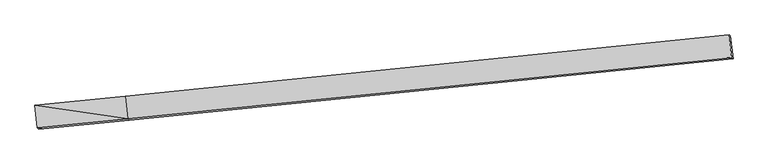
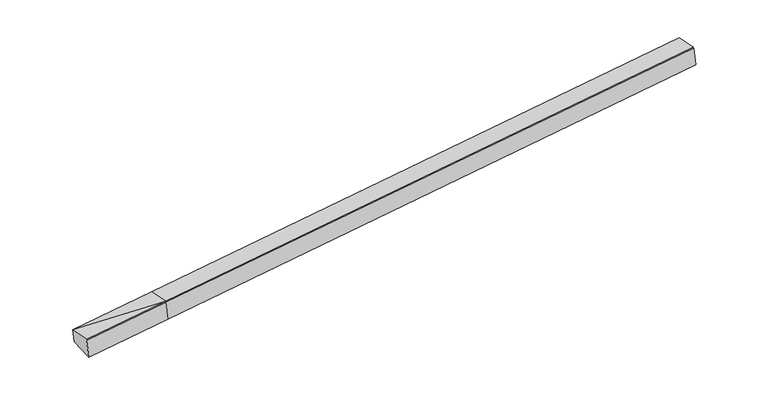
"""IFC4 building model written with IfcOpenShell, lengths in millimetres: proxy geometry."""

from ifc_helpers import new_model, si_unit, frame, origin, place, context, project, spatial, source, transform, mapped, element, save
from ifc_brep_helpers import plane_surface, spline_surface, advanced_brep


def generic_models_31e1d75e(model_context):
    return source(origin(), model_context, "Body", "AdvancedBrep", [
        advanced_brep(
        [(-7860.8938993, -2187.9416701, 1199.7320576), (-7891.6173311, -2159.3918581, 1608.7803377), (-5178.4657708, -1894.4207114, 1801.1196074), (-5147.7423391, -1922.9705234, 1392.0713273), (-7826.8977345, -2829.2963335, 1660.3978508), (-5113.7461743, -2564.3251868, 1852.7371204), (-7824.6561998, -2831.3792843, 1630.5543115), (-5111.5046395, -2566.4081376, 1822.8935811), (-7781.5182488, -2871.4653137, 1056.2205325), (-5068.3666885, -2606.4941671, 1248.5598021), (12993.0670812, -732.522779, 3042.4435741), (13034.6548169, -771.1682677, 2488.749185), (12953.897963, -77.0535743, 2636.7092872), (12924.9594609, -50.1624118, 3021.9932169), (12990.6669513, -730.2924534, 3074.3986308)],
        [
            (0, 1),
            (1, 2),
            (2, 3),
            (3, 0),
            (1, 4),
            (4, 5),
            (5, 1),
            (4, 6),
            (6, 7),
            (7, 5),
            (6, 8),
            (8, 9),
            (9, 7),
            (8, 0),
            (3, 9),
            (10, 11),
            (11, 12),
            (12, 13),
            (13, 14),
            (14, 10),
            (5, 2),
            (9, 11),
            (10, 7),
            (3, 12),
            (2, 13),
            (5, 14),
        ],
        [
            plane_surface(frame((-7876.2556152, -2173.6667641, 1404.2561977), z_axis=(-0.09156625645898389, 0.9928810539663492, -0.07617633065959178), x_axis=(-0.07471782568885188, 0.06943169280863198, 0.9947846433063079))),
            plane_surface(frame((-7859.2575328, -2494.3440958, 1634.5890943), z_axis=(-0.07726468580533902, 0.06917204197004424, 0.9946081625128043), x_axis=(0.09588088374822303, -0.9924510746815481, 0.07647038966227376))),
            plane_surface(frame((-7825.7769671, -2830.3378089, 1645.4760811), z_axis=(0.09156625645898339, -0.9928810539663483, 0.0761763306596027), x_axis=(0.07471782568882278, -0.0694316928086458, -0.9947846433063091))),
            plane_surface(frame((-7803.0872243, -2851.422299, 1343.387422), z_axis=(0.091566256458984, -0.992881053966349, 0.07617633065959535), x_axis=(0.07471782568882994, -0.06943169280863769, -0.9947846433063091))),
            plane_surface(frame((-7821.206074, -2529.7034919, 1127.9762951), z_axis=(0.04864335063071308, 0.21064216081485684, -0.976352244083387), x_axis=(-0.11292226920922496, 0.9724019944781799, 0.20416395923741593))),
            plane_surface(frame((12976.0447981, -407.1691768, 2805.46258), z_axis=(0.9925845569300351, 0.10109453198451543, 0.06749661433611298), x_axis=(0.07471782568882314, -0.06943169280864332, -0.9947846433063092))),
            plane_surface(frame((-7840.2318034, -2512.0237939, 1381.2826947), z_axis=(-0.9925845569300348, -0.10109453198451254, -0.06749661433612178), x_axis=(0.11292226920921403, -0.9724019944781813, -0.20416395923741565))),
            plane_surface(frame((-7891.6173311, -2159.3918581, 1608.7803377), z_axis=(-0.07726468580533911, 0.06917204197004345, 0.9946081625128043), x_axis=(0.09588088374823604, -0.9924510746815468, 0.0764703896622739))),
            plane_surface(frame((-5089.935664, -2586.4511523, 1535.7266916), z_axis=(0.0953855978753202, -0.9925013946818524, 0.07643670108361439), x_axis=(0.07471782568881434, -0.06943169280864575, -0.9947846433063098))),
            spline_surface(1, 1, [[(-5068.3666885, -2606.4941671, 1248.5598021), (13034.6548169, -771.1682677, 2488.749185)], [(-5147.7423391, -1922.9705234, 1392.0713273), (12953.897963, -77.0535743, 2636.7092872)]], [2, 2], [2, 2], [0.0, 1.0], [0.0, 1.0]),
            plane_surface(frame((-5163.104055, -1908.6956174, 1596.5954673), z_axis=(-0.09594635769563058, 0.9924444039931353, -0.0764748417955404), x_axis=(-0.0747178256888305, 0.06943169280863756, 0.9947846433063091))),
            plane_surface(frame((-5146.1059726, -2229.3729491, 1826.9283639), z_axis=(-0.07416855334141653, 0.06948762428815011, 0.9948218412188339), x_axis=(0.09588088374823103, -0.9924510746815474, 0.07647038966227392))),
            plane_surface(frame((-5112.6254069, -2565.3666622, 1837.8153508), z_axis=(0.09538559787532236, -0.9925013946818543, 0.07643670108358641), x_axis=(0.07471782568897546, -0.06943169280860123, -0.9947846433063007))),
        ],
        [
            (0, [[1, 2, 3, 4]]),
            (1, [[5, 6, 7]]),
            (2, [[8, 9, 10, -6]]),
            (3, [[11, 12, 13, -9]]),
            (4, [[14, -4, 15, -12]]),
            (5, [[16, 17, 18, 19, 20]]),
            (6, [[-14, -11, -8, -5, -1]]),
            (7, [[21, -2, -7]]),
            (8, [[-13, 22, -16, 23]]),
            (9, [[-15, 24, -17, -22]]),
            (10, [[-3, 25, -18, -24]]),
            (11, [[-21, 26, -19, -25]]),
            (12, [[-10, -23, -20, -26]]),
        ],
    ),
    ])


if __name__ == "__main__":
    model = new_model("IFC4")
    model_context = context("Model", 3, world=origin())
    ifc_project = project(units=[si_unit("LENGTHUNIT", "METRE", prefix="MILLI")], contexts=[model_context])
    site = spatial("IfcSite", under=ifc_project)
    building = spatial("IfcBuilding", under=site)
    placement = place(None, origin())
    generic_models_shape = generic_models_31e1d75e(model_context)
    element("IfcBuildingElementProxy", 1, Name="Generic Models", at=placement, inside=building, context=model_context, shape_type="MappedRepresentation", body=[
        mapped(generic_models_shape, transform((0.0, 0.0, 0.0), x_axis=(1.0, 0.0, 0.0), y_axis=(0.0, 1.0, 0.0), z_axis=(0.0, 0.0, 1.0))),
    ])
    save(model, "model.ifc")
